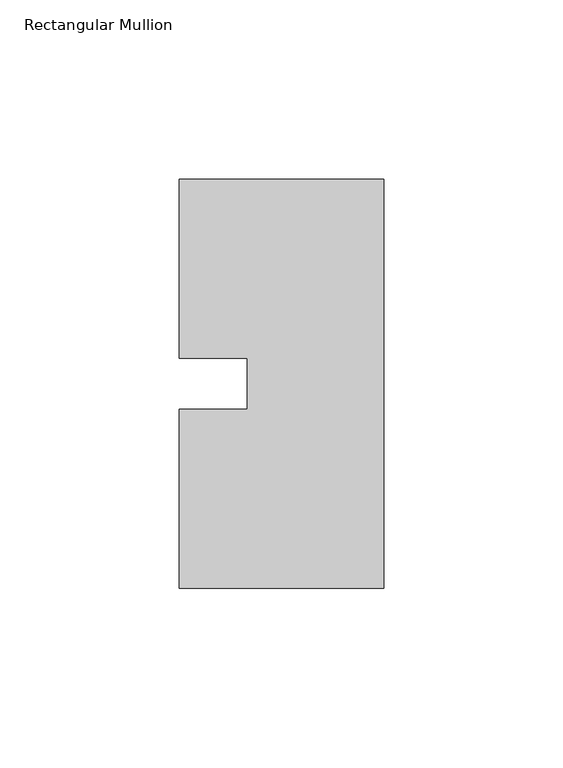
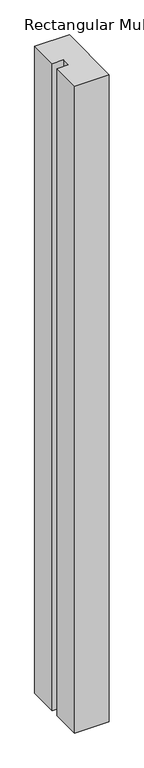
"""IFC4 building model written with IfcOpenShell, lengths in millimetres: member geometry, Rectangular Mullion."""

from ifc_helpers import new_model, si_unit, frame, origin, place, context, project, spatial, polyline, outline, extrude, source, transform, mapped, element, save


def rectangular_mullion_4a4a9895(model_context):
    return source(origin(), model_context, "Body", "SweptSolid", [
        extrude(outline(polyline([(-57.15, 57.15), (0.0, 57.15), (0.0, -57.15), (-57.15, -57.15), (-57.15, -7.14375), (-38.1, -7.14375), (-38.1, 7.14375), (-57.15, 7.14375), (-57.15, 57.15)])), frame((0.0, 0.0, -1130.3), z_axis=(0.0, 0.0, 1.0), x_axis=(1.0, 0.0, 0.0)), (0.0, 0.0, 1.0), 1130.3),
    ])


if __name__ == "__main__":
    model = new_model("IFC4")
    model_context = context("Model", 3, world=origin())
    ifc_project = project(units=[si_unit("LENGTHUNIT", "METRE", prefix="MILLI")], contexts=[model_context])
    site = spatial("IfcSite", under=ifc_project)
    building = spatial("IfcBuilding", under=site)
    placement = place(None, origin())
    rectangular_mullion_shape = rectangular_mullion_4a4a9895(model_context)
    element("IfcMember", 1, ObjectType="Rectangular Mullion", at=placement, inside=building, context=model_context, shape_type="MappedRepresentation", body=[
        mapped(rectangular_mullion_shape, transform((0.0, 0.0, 0.0), x_axis=(1.0, 0.0, 0.0), y_axis=(0.0, 1.0, 0.0), z_axis=(0.0, 0.0, 1.0))),
    ])
    save(model, "model.ifc")
